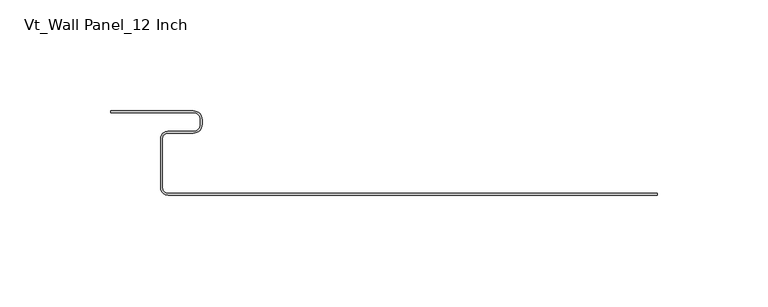
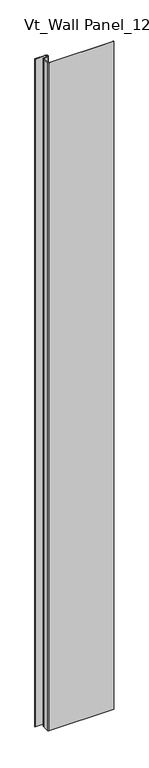
"""IFC4 building model written with IfcOpenShell, lengths in millimetres: plate geometry, Vt_Wall Panel_12 Inch."""

from ifc_helpers import new_model, si_unit, point, frame_2d, origin, origin_with_axes, place, context, project, spatial, polyline, circle_curve, trimmed, segment, composite_curve, outline, extrude, source, transform, mapped, element, save


def vt_wall_panel_12_inch_47687c0d(model_context):
    return source(origin(), model_context, "Body", "SweptSolid", [
        extrude(outline(composite_curve([segment(polyline([(-108.6654307, -37.2), (111.9042607, -37.2), (111.9042607, -38.0), (-108.6654307, -38.0)]), True, "CONTINUOUS"), segment(trimmed(circle_curve(frame_2d((-108.6654307, -34.70689)), 3.29311), [point((-108.6654307, -38.0))], [point((-111.9585407, -34.70689))], False, "CARTESIAN"), True, "CONTINUOUS"), segment(polyline([(-111.9585407, -34.70689), (-111.9585407, -12.42347)]), True, "CONTINUOUS"), segment(trimmed(circle_curve(frame_2d((-108.7835407, -12.42347)), 3.175), [point((-111.9585407, -12.42347))], [point((-108.7835407, -9.24847))], False, "CARTESIAN"), True, "CONTINUOUS"), segment(polyline([(-108.7835407, -9.24847), (-97.2513057, -9.24847)]), True, "CONTINUOUS"), segment(trimmed(circle_curve(frame_2d((-97.2513057, -6.07347)), 3.175), [point((-97.2513057, -9.24847))], [point((-94.0763057, -6.07347))], True, "CARTESIAN"), True, "CONTINUOUS"), segment(polyline([(-94.0763057, -6.07347), (-94.0763057, -3.975)]), True, "CONTINUOUS"), segment(trimmed(circle_curve(frame_2d((-97.2513057, -3.975)), 3.175), [point((-94.0763057, -3.975))], [point((-97.2513057, -0.8))], True, "CARTESIAN"), True, "CONTINUOUS"), segment(polyline([(-97.2513057, -0.8), (-134.4394457, -0.8), (-134.4394457, 0.0), (-97.2513057, 0.0)]), True, "CONTINUOUS"), segment(trimmed(circle_curve(frame_2d((-97.2513057, -3.975)), 3.975), [point((-97.2513057, 0.0))], [point((-93.2763057, -3.975))], False, "CARTESIAN"), True, "CONTINUOUS"), segment(polyline([(-93.2763057, -3.975), (-93.2763057, -6.07347)]), True, "CONTINUOUS"), segment(trimmed(circle_curve(frame_2d((-97.2513057, -6.07347)), 3.975), [point((-93.2763057, -6.07347))], [point((-97.2513057, -10.04847))], False, "CARTESIAN"), True, "CONTINUOUS"), segment(polyline([(-97.2513057, -10.04847), (-108.7835407, -10.04847)]), True, "CONTINUOUS"), segment(trimmed(circle_curve(frame_2d((-108.7835407, -12.42347)), 2.375), [point((-108.7835407, -10.04847))], [point((-111.1585407, -12.42347))], True, "CARTESIAN"), True, "CONTINUOUS"), segment(polyline([(-111.1585407, -12.42347), (-111.1585407, -34.70689)]), True, "CONTINUOUS"), segment(trimmed(circle_curve(frame_2d((-108.6654307, -34.70689)), 2.49311), [point((-111.1585407, -34.70689))], [point((-108.6654307, -37.2))], True, "CARTESIAN"), True, "CONTINUOUS")], self_intersect=False)), origin_with_axes(), (0.0, 0.0, 1.0), 2400.0),
    ])


if __name__ == "__main__":
    model = new_model("IFC4")
    model_context = context("Model", 3, world=origin())
    ifc_project = project(units=[si_unit("LENGTHUNIT", "METRE", prefix="MILLI")], contexts=[model_context])
    site = spatial("IfcSite", under=ifc_project)
    building = spatial("IfcBuilding", under=site)
    placement = place(None, origin())
    vt_wall_panel_12_inch_shape = vt_wall_panel_12_inch_47687c0d(model_context)
    element("IfcPlate", 1, ObjectType="Vt_Wall Panel_12 Inch", at=placement, inside=building, context=model_context, shape_type="MappedRepresentation", body=[
        mapped(vt_wall_panel_12_inch_shape, transform((0.0, 0.0, 0.0), x_axis=(1.0, 0.0, 0.0), y_axis=(0.0, 1.0, 0.0), z_axis=(0.0, 0.0, 1.0))),
    ])
    save(model, "model.ifc")
